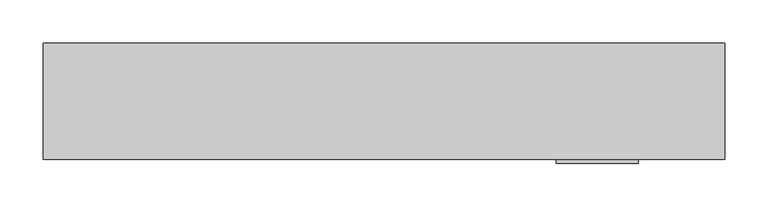
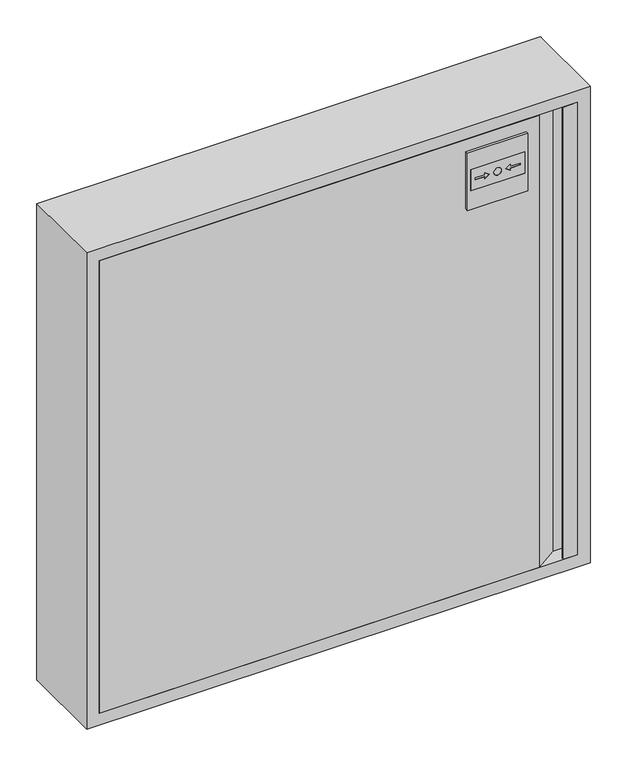
"""IFC4 building model written with IfcOpenShell, lengths in millimetres: fire suppression terminal geometry."""

from ifc_helpers import new_model, si_unit, point, frame, frame_2d, origin, place, context, project, spatial, polyline, circle_curve, trimmed, segment, composite_curve, outline, extrude, faceted_brep, source, transform, mapped, element, save


def fire_suppression_terminal_0d2f7a24(model_context):
    return source(origin(), model_context, "Body", "SolidModel", [
        extrude(outline(composite_curve([segment(trimmed(circle_curve(frame_2d((-355.1374166, -354.9676042)), 3.007614), [point((-352.1298027, -354.9676042))], [point((-358.1450306, -354.9676042))], False, "CARTESIAN"), True, "CONTINUOUS"), segment(trimmed(circle_curve(frame_2d((-355.1374166, -354.9676042)), 3.007614), [point((-358.1450306, -354.9676042))], [point((-352.1298027, -354.9676042))], False, "CARTESIAN"), True, "CONTINUOUS")], self_intersect=False)), frame((0.0, 112.0, 0.0), z_axis=(0.0, 1.0, 0.0), x_axis=(0.0, 0.0, 1.0)), (0.0, 0.0, 1.0), 15.0),
        extrude(outline(polyline([(353.0, -3.0), (353.0, 0.0), (354.5, 0.0), (354.5, -1.5), (373.5, -1.5), (373.5, 20.5), (350.0, 20.5), (315.0, -3.0), (-375.0, -3.0), (-375.0, 22.0), (-373.5, 22.0), (-373.5, -1.5), (314.5431419, -1.5), (349.5431419, 22.0), (375.0, 22.0), (375.0, -3.0), (353.0, -3.0)])), frame((0.0, 0.0, -375.0), z_axis=(0.0, 0.0, 1.0), x_axis=(1.0, 0.0, 0.0)), (0.0, 0.0, 1.0), 750.0),
        extrude(outline(polyline([(325.9479225, 204.5431419), (290.9479225, 204.5431419), (290.9479225, 289.5431419), (325.9479225, 289.5431419), (325.9479225, 204.5431419)]), holes=[composite_curve([segment(trimmed(circle_curve(frame_2d((308.4479225, 247.0431419)), 6.0), [point((308.4479225, 253.0431419))], [point((308.4479225, 241.0431419))], True, "CARTESIAN"), True, "CONTINUOUS"), segment(trimmed(circle_curve(frame_2d((308.4479225, 247.0431419)), 6.0), [point((308.4479225, 241.0431419))], [point((308.4479225, 253.0431419))], True, "CARTESIAN"), True, "CONTINUOUS")], self_intersect=False), polyline([(313.3991375, 226.9720741), (308.4479225, 234.0431419), (303.4967076, 226.9720741), (306.9479225, 226.9720741), (306.9479225, 211.9720741), (309.9479225, 211.9720741), (309.9479225, 226.9720741), (313.3991375, 226.9720741)]), polyline([(313.3991375, 267.1142097), (309.9479225, 267.1142097), (309.9479225, 282.1142097), (306.9479225, 282.1142097), (306.9479225, 267.1142097), (303.4967076, 267.1142097), (308.4479225, 260.0431419), (313.3991375, 267.1142097)])]), frame((0.0, -8.0, 0.0), z_axis=(0.0, 1.0, 0.0), x_axis=(0.0, 0.0, 1.0)), (0.0, 0.0, 1.0), 5.0),
        extrude(outline(composite_curve([segment(trimmed(circle_curve(frame_2d((308.4479225, 247.0431419)), 6.0), [point((308.4479225, 253.0431419))], [point((308.4479225, 241.0431419))], False, "CARTESIAN"), True, "CONTINUOUS"), segment(trimmed(circle_curve(frame_2d((308.4479225, 247.0431419)), 6.0), [point((308.4479225, 241.0431419))], [point((308.4479225, 253.0431419))], False, "CARTESIAN"), True, "CONTINUOUS")], self_intersect=False)), frame((0.0, -8.0, 0.0), z_axis=(0.0, 1.0, 0.0), x_axis=(0.0, 0.0, 1.0)), (0.0, 0.0, 1.0), 5.0),
        extrude(outline(polyline([(313.3991375, 226.9720741), (309.9479225, 226.9720741), (309.9479225, 211.9720741), (306.9479225, 211.9720741), (306.9479225, 226.9720741), (303.4967076, 226.9720741), (308.4479225, 234.0431419), (313.3991375, 226.9720741)])), frame((0.0, -8.0, 0.0), z_axis=(0.0, 1.0, 0.0), x_axis=(0.0, 0.0, 1.0)), (0.0, 0.0, 1.0), 5.0),
        extrude(outline(polyline([(313.3991375, 267.1142097), (308.4479225, 260.0431419), (303.4967076, 267.1142097), (306.9479225, 267.1142097), (306.9479225, 282.1142097), (309.9479225, 282.1142097), (309.9479225, 267.1142097), (313.3991375, 267.1142097)])), frame((0.0, -8.0, 0.0), z_axis=(0.0, 1.0, 0.0), x_axis=(0.0, 0.0, 1.0)), (0.0, 0.0, 1.0), 5.0),
        extrude(outline(polyline([(355.0, 199.5431419), (260.0, 199.5431419), (260.0, 294.5431419), (355.0, 294.5431419), (355.0, 199.5431419)]), holes=[polyline([(325.9479225, 204.5431419), (325.9479225, 289.5431419), (290.9479225, 289.5431419), (290.9479225, 204.5431419), (325.9479225, 204.5431419)])]), frame((0.0, -8.0, 0.0), z_axis=(0.0, 1.0, 0.0), x_axis=(0.0, 0.0, 1.0)), (0.0, 0.0, 1.0), 5.0),
        faceted_brep([(-375.0, 22.0, 375.0), (-375.0, -3.0, 375.0), (-375.0, -3.0, -375.0), (-375.0, 22.0, -375.0), (-376.5, -1.5, 376.5), (-376.5, 22.0, 376.5), (-376.5, 22.0, -376.5), (-376.5, -1.5, -376.5), (-393.5, 130.5, 393.5), (-393.5, -1.5, 393.5), (-393.5, -1.5, -393.5), (-393.5, 130.5, -393.5), (-375.0, 132.0, 375.0), (-375.0, 130.5, 375.0), (-375.0, 130.5, -375.0), (-375.0, 132.0, -375.0), (-395.0, -3.0, 395.0), (-395.0, 132.0, 395.0), (-395.0, 132.0, -395.0), (-395.0, -3.0, -395.0), (375.0, -3.0, -375.0), (375.0, 22.0, -375.0), (376.5, 22.0, -376.5), (376.5, -1.5, -376.5), (393.5, -1.5, -393.5), (393.5, 130.5, -393.5), (375.0, 130.5, -375.0), (375.0, 132.0, -375.0), (395.0, 132.0, -395.0), (395.0, -3.0, -395.0), (375.0, -3.0, 375.0), (375.0, 22.0, 375.0), (376.5, 22.0, 376.5), (376.5, -1.5, 376.5), (393.5, -1.5, 393.5), (393.5, 130.5, 393.5), (375.0, 130.5, 375.0), (375.0, 132.0, 375.0), (395.0, 132.0, 395.0), (395.0, -3.0, 395.0)], [[[0, 1, 2, 3]], [[4, 5, 6, 7]], [[8, 9, 10, 11]], [[12, 13, 14, 15]], [[16, 17, 18, 19]], [[3, 2, 20, 21]], [[7, 6, 22, 23]], [[11, 10, 24, 25]], [[15, 14, 26, 27]], [[19, 18, 28, 29]], [[21, 20, 30, 31]], [[23, 22, 32, 33]], [[25, 24, 34, 35]], [[27, 26, 36, 37]], [[29, 28, 38, 39]], [[1, 0, 31, 30]], [[6, 5, 32, 22], [0, 3, 21, 31]], [[5, 4, 33, 32]], [[10, 9, 34, 24], [4, 7, 23, 33]], [[9, 8, 35, 34]], [[8, 11, 25, 35], [14, 13, 36, 26]], [[13, 12, 37, 36]], [[18, 17, 38, 28], [12, 15, 27, 37]], [[17, 16, 39, 38]], [[16, 19, 29, 39], [2, 1, 30, 20]]]),
        extrude(outline(polyline([(395.0, 395.0), (395.0, -395.0), (-395.0, -395.0), (-395.0, 395.0), (395.0, 395.0)]), holes=[composite_curve([segment(trimmed(circle_curve(frame_2d((-355.1374166, -354.9676042)), 18.5), [point((-355.1374166, -373.4676042))], [point((-355.1374166, -336.4676042))], True, "CARTESIAN"), True, "CONTINUOUS"), segment(trimmed(circle_curve(frame_2d((-355.1374166, -354.9676042)), 18.5), [point((-355.1374166, -336.4676042))], [point((-355.1374166, -373.4676042))], True, "CARTESIAN"), True, "CONTINUOUS")], self_intersect=False)]), frame((0.0, 130.5, 0.0), z_axis=(0.0, 1.0, 0.0), x_axis=(0.0, 0.0, 1.0)), (0.0, 0.0, 1.0), 1.5),
    ])


if __name__ == "__main__":
    model = new_model("IFC4")
    model_context = context("Model", 3, world=origin())
    ifc_project = project(units=[si_unit("LENGTHUNIT", "METRE", prefix="MILLI")], contexts=[model_context])
    site = spatial("IfcSite", under=ifc_project)
    building = spatial("IfcBuilding", under=site)
    placement = place(None, origin())
    fire_suppression_terminal_shape = fire_suppression_terminal_0d2f7a24(model_context)
    element("IfcFireSuppressionTerminal", 1, at=placement, inside=building, context=model_context, shape_type="MappedRepresentation", body=[
        mapped(fire_suppression_terminal_shape, transform((0.0, 0.0, 0.0), x_axis=(1.0, 0.0, 0.0), y_axis=(0.0, 1.0, 0.0), z_axis=(0.0, 0.0, 1.0))),
    ])
    save(model, "model.ifc")
